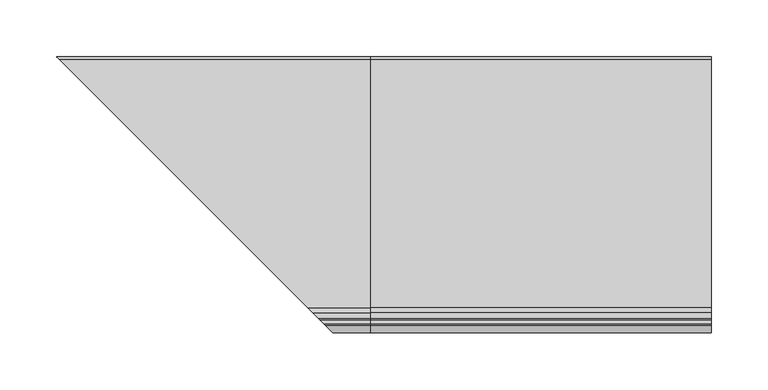
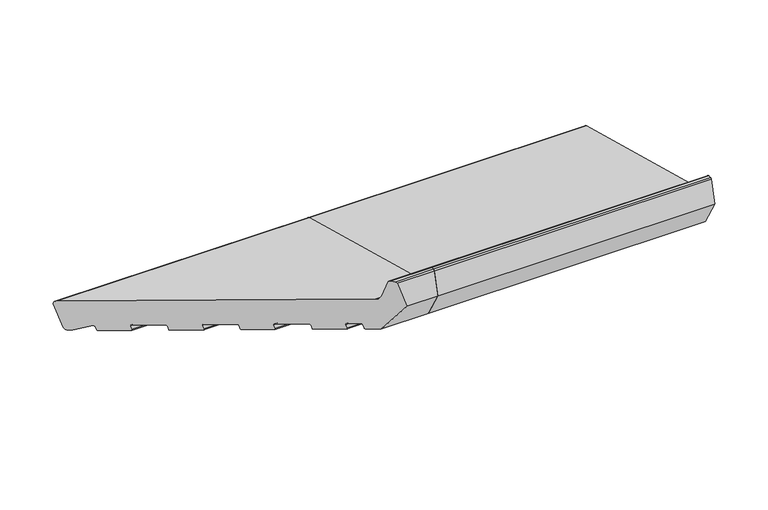
"""IFC4 building model written with IfcOpenShell, lengths in millimetres: proxy geometry."""

from ifc_helpers import new_model, si_unit, point, frame, frame_2d, origin, place, context, project, spatial, polyline, circle_curve, ellipse_curve, trimmed, segment, composite_curve, outline, extrude, source, transform, mapped, element, save
from ifc_brep_helpers import plane_surface, cylinder_surface, revolved_surface, advanced_brep


def generic_models_167abd5b(model_context):
    return source(origin(), model_context, "Body", "SolidModel", [
        advanced_brep(
        [(0.0, 24.372022, 5.5048126), (0.0, 28.0462566, 7.6261329), (0.0, 34.7755518, 32.7402044), (0.0, 32.6542315, 36.414439), (0.0, -186.1626434, 95.0462439), (0.0, -190.4052841, 99.2888846), (0.0, -195.1879801, 117.1381494), (0.0, -196.6368689, 118.2499208), (0.0, -199.9802434, 118.2499208), (0.0, -201.4291321, 117.1381494), (0.0, -208.0, 92.6153365), (0.0, -190.3223305, 61.9967148), (0.0, -179.6971464, 59.1497053), (0.0, -178.4724015, 59.856812), (0.0, -177.4371253, 63.7205153), (0.0, -176.2123805, 64.4276221), (0.0, -166.5531222, 61.8394317), (0.0, -165.8460154, 60.6146868), (0.0, -166.8812916, 56.7509835), (0.0, -166.1741848, 55.5262386), (0.0, -143.9578908, 49.5734006), (0.0, -142.7331459, 50.2805074), (0.0, -141.6978698, 54.1442107), (0.0, -140.4731249, 54.8513175), (0.0, -117.2909051, 48.6396604), (0.0, -116.5837983, 47.4149155), (0.0, -117.6190745, 43.5512122), (0.0, -116.9119677, 42.3264673), (0.0, -94.6956737, 36.3736293), (0.0, -93.4709288, 37.0807361), (0.0, -92.4356526, 40.9444394), (0.0, -91.2109077, 41.6515462), (0.0, -68.0286879, 35.4398891), (0.0, -67.3215811, 34.2151442), (0.0, -68.3568573, 30.3514409), (0.0, -67.6497505, 29.126696), (0.0, -45.4334565, 23.173858), (0.0, -44.2087117, 23.8809648), (0.0, -43.1734355, 27.7446681), (0.0, -41.9486906, 28.4517749), (0.0, -18.7664708, 22.2401178), (0.0, -18.059364, 21.0153729), (0.0, -19.0946402, 17.1516696), (0.0, -18.3875334, 15.9269247), (0.0, 3.8287606, 9.9740867), (0.0, 5.0535055, 10.6811935), (0.0, 6.0027589, 14.2238555), (0.0, 7.4870147, 14.8202172), (0.0, 21.6552444, 6.2327709), (-265.372022, 24.372022, 5.5048126), (-269.0462566, 28.0462566, 7.6261329), (-275.7755518, 34.7755518, 32.7402044), (-273.6542315, 32.6542315, 36.414439), (-54.8373566, -186.1626434, 95.0462439), (-50.5947159, -190.4052841, 99.2888846), (-45.8120199, -195.1879801, 117.1381494), (-44.3631311, -196.6368689, 118.2499208), (-41.0197566, -199.9802434, 118.2499208), (-39.5708679, -201.4291321, 117.1381494), (-33.0, -208.0, 92.6153365), (-50.6776695, -190.3223305, 61.9967148), (-61.3028536, -179.6971464, 59.1497053), (-62.5275985, -178.4724015, 59.856812), (-63.5628747, -177.4371253, 63.7205153), (-64.7876195, -176.2123805, 64.4276221), (-74.4468778, -166.5531222, 61.8394317), (-75.1539846, -165.8460154, 60.6146868), (-74.1187084, -166.8812916, 56.7509835), (-74.8258152, -166.1741848, 55.5262386), (-97.0421092, -143.9578908, 49.5734006), (-98.2668541, -142.7331459, 50.2805074), (-99.3021302, -141.6978698, 54.1442107), (-100.5268751, -140.4731249, 54.8513175), (-262.6552444, 21.6552444, 6.2327709), (-123.7090949, -117.2909051, 48.6396604), (-123.3809255, -117.6190745, 43.5512122), (-124.0880323, -116.9119677, 42.3264673), (-124.4162017, -116.5837983, 47.4149155), (-146.3043263, -94.6956737, 36.3736293), (-147.5290712, -93.4709288, 37.0807361), (-148.5643474, -92.4356526, 40.9444394), (-149.7890923, -91.2109077, 41.6515462), (-172.9713121, -68.0286879, 35.4398891), (-248.4870147, 7.4870147, 14.8202172), (-247.0027589, 6.0027589, 14.2238555), (-246.0535055, 5.0535055, 10.6811935), (-244.8287606, 3.8287606, 9.9740867), (-222.6124666, -18.3875334, 15.9269247), (-221.9053598, -19.0946402, 17.1516696), (-222.940636, -18.059364, 21.0153729), (-222.2335292, -18.7664708, 22.2401178), (-199.0513094, -41.9486906, 28.4517749), (-197.8265645, -43.1734355, 27.7446681), (-196.7912883, -44.2087117, 23.8809648), (-195.5665435, -45.4334565, 23.173858), (-173.3502495, -67.6497505, 29.126696), (-172.6431427, -68.3568573, 30.3514409), (-173.6784189, -67.3215811, 34.2151442)],
        [
            (0, 1, circle_curve(frame((0.0, 25.1484791, 8.40259), z_axis=(1.0, 0.0, 0.0), x_axis=(0.0, 1.0, 0.0)), 3.0)),
            (1, 2),
            (2, 3, circle_curve(frame((0.0, 31.8777743, 33.5166615), z_axis=(1.0, 0.0, 0.0), x_axis=(0.0, 1.0, 0.0)), 3.0)),
            (3, 4),
            (4, 5, circle_curve(frame((0.0, -184.6097291, 100.8417989), z_axis=(-1.0, 0.0, 0.0), x_axis=(0.0, 1.0, 0.0)), 6.0)),
            (5, 6),
            (6, 7, circle_curve(frame((0.0, -196.6368689, 116.7499208), z_axis=(1.0, 0.0, 0.0), x_axis=(0.0, 1.0, 0.0)), 1.5)),
            (7, 8),
            (8, 9, circle_curve(frame((0.0, -199.9802434, 116.7499208), z_axis=(1.0, 0.0, 0.0), x_axis=(0.0, 1.0, 0.0)), 1.5)),
            (9, 10),
            (10, 11),
            (11, 12),
            (12, 13, circle_curve(frame((0.0, -179.4383273, 60.1156311), z_axis=(1.0, 0.0, 0.0), x_axis=(0.0, 1.0, 0.0)), 1.0)),
            (13, 14),
            (14, 15, circle_curve(frame((0.0, -176.4711995, 63.4616963), z_axis=(-1.0, 0.0, 0.0), x_axis=(0.0, 1.0, 0.0)), 1.0)),
            (15, 16),
            (16, 17, circle_curve(frame((0.0, -166.8119412, 60.8735058), z_axis=(-1.0, 0.0, 0.0), x_axis=(0.0, 1.0, 0.0)), 1.0)),
            (17, 18),
            (18, 19, circle_curve(frame((0.0, -165.9153658, 56.4921644), z_axis=(1.0, 0.0, 0.0), x_axis=(0.0, 1.0, 0.0)), 1.0)),
            (19, 20),
            (20, 21, circle_curve(frame((0.0, -143.6990718, 50.5393264), z_axis=(1.0, 0.0, 0.0), x_axis=(0.0, 1.0, 0.0)), 1.0)),
            (21, 22),
            (22, 23, circle_curve(frame((0.0, -140.7319439, 53.8853916), z_axis=(-1.0, 0.0, 0.0), x_axis=(0.0, 1.0, 0.0)), 1.0)),
            (23, 24),
            (24, 25, circle_curve(frame((0.0, -117.5497241, 47.6737345), z_axis=(-1.0, 0.0, 0.0), x_axis=(0.0, 1.0, 0.0)), 1.0)),
            (25, 26),
            (26, 27, circle_curve(frame((0.0, -116.6531486, 43.2923931), z_axis=(1.0, 0.0, 0.0), x_axis=(0.0, 1.0, 0.0)), 1.0)),
            (27, 28),
            (28, 29, circle_curve(frame((0.0, -94.4368546, 37.3395551), z_axis=(1.0, 0.0, 0.0), x_axis=(0.0, 1.0, 0.0)), 1.0)),
            (29, 30),
            (30, 31, circle_curve(frame((0.0, -91.4697268, 40.6856203), z_axis=(-1.0, 0.0, 0.0), x_axis=(0.0, 1.0, 0.0)), 1.0)),
            (31, 32),
            (32, 33, circle_curve(frame((0.0, -68.287507, 34.4739632), z_axis=(-1.0, 0.0, 0.0), x_axis=(0.0, 1.0, 0.0)), 1.0)),
            (33, 34),
            (34, 35, circle_curve(frame((0.0, -67.3909315, 30.0926218), z_axis=(1.0, 0.0, 0.0), x_axis=(0.0, 1.0, 0.0)), 1.0)),
            (35, 36),
            (36, 37, circle_curve(frame((0.0, -45.1746375, 24.1397838), z_axis=(1.0, 0.0, 0.0), x_axis=(0.0, 1.0, 0.0)), 1.0)),
            (37, 38),
            (38, 39, circle_curve(frame((0.0, -42.2075096, 27.485849), z_axis=(-1.0, 0.0, 0.0), x_axis=(0.0, 1.0, 0.0)), 1.0)),
            (39, 40),
            (40, 41, circle_curve(frame((0.0, -19.0252898, 21.2741919), z_axis=(-1.0, 0.0, 0.0), x_axis=(0.0, 1.0, 0.0)), 1.0)),
            (41, 42),
            (42, 43, circle_curve(frame((0.0, -18.1287143, 16.8928505), z_axis=(1.0, 0.0, 0.0), x_axis=(0.0, 1.0, 0.0)), 1.0)),
            (43, 44),
            (44, 45, circle_curve(frame((0.0, 4.0875797, 10.9400125), z_axis=(1.0, 0.0, 0.0), x_axis=(0.0, 1.0, 0.0)), 1.0)),
            (45, 46),
            (46, 47, circle_curve(frame((0.0, 6.9686847, 13.9650365), z_axis=(-1.0, 0.0, 0.0), x_axis=(0.0, 1.0, 0.0)), 1.0)),
            (47, 48),
            (48, 0),
            (0, 49),
            (49, 50, ellipse_curve(frame((-266.1484791, 25.1484791, 8.40259), z_axis=(0.707106781186548, 0.7071067811865471, 0.0), x_axis=(-0.707106781186547, 0.707106781186548, 0.0)), 4.2426407, 3.0)),
            (50, 1),
            (50, 51),
            (51, 2),
            (51, 52, ellipse_curve(frame((-272.8777743, 31.8777743, 33.5166615), z_axis=(0.707106781186548, 0.7071067811865471, 0.0), x_axis=(-0.707106781186547, 0.707106781186548, 0.0)), 4.2426407, 3.0)),
            (52, 3),
            (52, 53),
            (53, 4),
            (53, 54, ellipse_curve(frame((-56.3902709, -184.6097291, 100.8417989), z_axis=(-0.707106781186548, -0.7071067811865471, 0.0), x_axis=(0.707106781186547, -0.707106781186548, 0.0)), 8.4852814, 6.0)),
            (54, 5),
            (54, 55),
            (55, 6),
            (55, 56, ellipse_curve(frame((-44.3631311, -196.6368689, 116.7499208), z_axis=(0.707106781186548, 0.7071067811865471, 0.0), x_axis=(-0.707106781186547, 0.707106781186548, 0.0)), 2.1213203, 1.5)),
            (56, 7),
            (56, 57),
            (57, 8),
            (57, 58, ellipse_curve(frame((-41.0197566, -199.9802434, 116.7499208), z_axis=(0.707106781186548, 0.7071067811865471, 0.0), x_axis=(-0.707106781186547, 0.707106781186548, 0.0)), 2.1213203, 1.5)),
            (58, 9),
            (58, 59),
            (59, 10),
            (59, 60),
            (60, 11),
            (60, 61),
            (61, 12),
            (61, 62, ellipse_curve(frame((-61.5616727, -179.4383273, 60.1156311), z_axis=(0.707106781186548, 0.7071067811865471, 0.0), x_axis=(-0.707106781186547, 0.707106781186548, 0.0)), 1.4142136, 1.0)),
            (62, 13),
            (62, 63),
            (63, 14),
            (63, 64, ellipse_curve(frame((-64.5288005, -176.4711995, 63.4616963), z_axis=(-0.707106781186548, -0.7071067811865471, 0.0), x_axis=(0.707106781186547, -0.707106781186548, 0.0)), 1.4142136, 1.0)),
            (64, 15),
            (64, 65),
            (65, 16),
            (65, 66, ellipse_curve(frame((-74.1880588, -166.8119412, 60.8735058), z_axis=(-0.707106781186548, -0.7071067811865471, 0.0), x_axis=(0.707106781186547, -0.707106781186548, 0.0)), 1.4142136, 1.0)),
            (66, 17),
            (66, 67),
            (67, 18),
            (67, 68, ellipse_curve(frame((-75.0846342, -165.9153658, 56.4921644), z_axis=(0.707106781186548, 0.7071067811865471, 0.0), x_axis=(-0.707106781186547, 0.707106781186548, 0.0)), 1.4142136, 1.0)),
            (68, 19),
            (68, 69),
            (69, 20),
            (69, 70, ellipse_curve(frame((-97.3009282, -143.6990718, 50.5393264), z_axis=(0.707106781186548, 0.7071067811865471, 0.0), x_axis=(-0.707106781186547, 0.707106781186548, 0.0)), 1.4142136, 1.0)),
            (70, 21),
            (70, 71),
            (71, 22),
            (71, 72, ellipse_curve(frame((-100.2680561, -140.7319439, 53.8853916), z_axis=(-0.707106781186548, -0.7071067811865471, 0.0), x_axis=(0.707106781186547, -0.707106781186548, 0.0)), 1.4142136, 1.0)),
            (72, 23),
            (48, 73),
            (73, 49),
            (72, 74),
            (74, 24),
            (26, 75),
            (75, 76, ellipse_curve(frame((-124.3468514, -116.6531486, 43.2923931), z_axis=(0.707106781186548, 0.7071067811865471, 0.0), x_axis=(-0.707106781186547, 0.707106781186548, 0.0)), 1.4142136, 1.0)),
            (76, 27),
            (25, 77),
            (77, 75),
            (74, 77, ellipse_curve(frame((-123.4502759, -117.5497241, 47.6737345), z_axis=(-0.707106781186548, -0.7071067811865471, 0.0), x_axis=(0.707106781186547, -0.707106781186548, 0.0)), 1.4142136, 1.0)),
            (76, 78),
            (78, 28),
            (78, 79, ellipse_curve(frame((-146.5631454, -94.4368546, 37.3395551), z_axis=(0.707106781186548, 0.7071067811865471, 0.0), x_axis=(-0.707106781186547, 0.707106781186548, 0.0)), 1.4142136, 1.0)),
            (79, 29),
            (79, 80),
            (80, 30),
            (80, 81, ellipse_curve(frame((-149.5302732, -91.4697268, 40.6856203), z_axis=(-0.707106781186548, -0.7071067811865471, 0.0), x_axis=(0.707106781186547, -0.707106781186548, 0.0)), 1.4142136, 1.0)),
            (81, 31),
            (81, 82),
            (82, 32),
            (73, 83),
            (83, 84, ellipse_curve(frame((-247.9686847, 6.9686847, 13.9650365), z_axis=(0.707106781186548, 0.7071067811865471, 0.0), x_axis=(0.707106781186547, -0.707106781186548, 0.0)), 1.4142136, 1.0)),
            (84, 85),
            (85, 86, ellipse_curve(frame((-245.0875797, 4.0875797, 10.9400125), z_axis=(-0.707106781186548, -0.7071067811865471, 0.0), x_axis=(-0.707106781186547, 0.707106781186548, 0.0)), 1.4142136, 1.0)),
            (86, 87),
            (87, 88, ellipse_curve(frame((-222.8712857, -18.1287143, 16.8928505), z_axis=(-0.707106781186548, -0.7071067811865471, 0.0), x_axis=(-0.707106781186547, 0.707106781186548, 0.0)), 1.4142136, 1.0)),
            (88, 89),
            (89, 90, ellipse_curve(frame((-221.9747102, -19.0252898, 21.2741919), z_axis=(0.707106781186548, 0.7071067811865471, 0.0), x_axis=(0.707106781186547, -0.707106781186548, 0.0)), 1.4142136, 1.0)),
            (90, 91),
            (91, 92, ellipse_curve(frame((-198.7924904, -42.2075096, 27.485849), z_axis=(0.707106781186548, 0.7071067811865471, 0.0), x_axis=(0.707106781186547, -0.707106781186548, 0.0)), 1.4142136, 1.0)),
            (92, 93),
            (93, 94, ellipse_curve(frame((-195.8253625, -45.1746375, 24.1397838), z_axis=(-0.707106781186548, -0.7071067811865471, 0.0), x_axis=(-0.707106781186547, 0.707106781186548, 0.0)), 1.4142136, 1.0)),
            (94, 95),
            (95, 96, ellipse_curve(frame((-173.6090685, -67.3909315, 30.0926218), z_axis=(-0.707106781186548, -0.7071067811865471, 0.0), x_axis=(-0.707106781186547, 0.707106781186548, 0.0)), 1.4142136, 1.0)),
            (96, 97),
            (97, 82, ellipse_curve(frame((-172.712493, -68.287507, 34.4739632), z_axis=(0.707106781186548, 0.7071067811865471, 0.0), x_axis=(0.707106781186547, -0.707106781186548, 0.0)), 1.4142136, 1.0)),
            (39, 91),
            (90, 40),
            (38, 92),
            (37, 93),
            (36, 94),
            (35, 95),
            (34, 96),
            (33, 97),
            (47, 83),
            (46, 84),
            (45, 85),
            (44, 86),
            (43, 87),
            (42, 88),
            (41, 89),
        ],
        [
            plane_surface(frame((0.0, 0.0, 0.0), z_axis=(1.0, 0.0, 0.0), x_axis=(0.0, 0.0, 1.0))),
            cylinder_surface(frame((-276.4826586, 25.1484791, 8.40259), z_axis=(-1.0, 0.0, 0.0), x_axis=(0.0, 1.0, 0.0)), 3.0),
            plane_surface(frame((-276.4826586, 34.7755518, 32.7402044), z_axis=(0.0, 0.9659258262890675, -0.25881904510252357), x_axis=(1.0, 0.0, 0.0))),
            cylinder_surface(frame((-276.4826586, 31.8777743, 33.5166615), z_axis=(-1.0, 0.0, 0.0), x_axis=(0.0, 1.0, 0.0)), 3.0),
            plane_surface(frame((-276.4826586, -186.1626434, 95.0462439), z_axis=(0.0, 0.2588190451025208, 0.9659258262890683), x_axis=(1.0, 0.0, 0.0))),
            revolved_surface(polyline([(0.0, -178.6097291, 100.8417989), (-62.39027091821606, -178.6097291, 100.8417989)]), (-276.4826586, -184.6097291, 100.8417989), (1.0, 0.0, 0.0)),
            plane_surface(frame((-276.4826586, -195.1879801, 117.1381494), z_axis=(0.0, 0.9659258262890698, 0.25881904510251524), x_axis=(1.0, 0.0, 0.0))),
            cylinder_surface(frame((-276.4826586, -196.6368689, 116.7499208), z_axis=(-1.0, 0.0, 0.0), x_axis=(0.0, 1.0, 0.0)), 1.5),
            plane_surface(frame((-276.4826586, -199.9802434, 118.2499208), z_axis=(0.0, 0.0, 1.0), x_axis=(1.0, 0.0, 0.0))),
            cylinder_surface(frame((-276.4826586, -199.9802434, 116.7499208), z_axis=(-1.0, 0.0, 0.0), x_axis=(0.0, 1.0, 0.0)), 1.5),
            plane_surface(frame((-276.4826586, -208.0, 92.6153365), z_axis=(0.0, -0.9659258262890684, 0.2588190451025204), x_axis=(1.0, 0.0, 0.0))),
            plane_surface(frame((-276.4826586, -190.3223305, 61.9967148), z_axis=(0.0, -0.8660254037844406, -0.49999999999999667), x_axis=(1.0, 0.0, 0.0))),
            plane_surface(frame((-276.4826586, -179.6971464, 59.1497053), z_axis=(0.0, -0.2588190451025198, -0.9659258262890686), x_axis=(1.0, 0.0, 0.0))),
            cylinder_surface(frame((-276.4826586, -179.4383273, 60.1156311), z_axis=(-1.0, 0.0, 0.0), x_axis=(0.0, 1.0, 0.0)), 1.0),
            plane_surface(frame((-276.4826586, -177.4371253, 63.7205153), z_axis=(0.0, 0.9659258262890634, -0.2588190451025389), x_axis=(1.0, 0.0, 0.0))),
            revolved_surface(polyline([(0.0, -175.4711995, 63.4616963), (-65.52880052660623, -175.4711995, 63.4616963)]), (-276.4826586, -176.4711995, 63.4616963), (1.0, 0.0, 0.0)),
            plane_surface(frame((-276.4826586, -166.5531222, 61.8394317), z_axis=(0.0, -0.25881904510251746, -0.9659258262890692), x_axis=(1.0, 0.0, 0.0))),
            revolved_surface(polyline([(0.0, -165.8119412, 60.8735058), (-75.18805882660624, -165.8119412, 60.8735058)]), (-276.4826586, -166.8119412, 60.8735058), (1.0, 0.0, 0.0)),
            plane_surface(frame((-276.4826586, -166.8812916, 56.7509835), z_axis=(0.0, -0.9659258262890634, 0.2588190451025389), x_axis=(1.0, 0.0, 0.0))),
            cylinder_surface(frame((-276.4826586, -165.9153658, 56.4921644), z_axis=(-1.0, 0.0, 0.0), x_axis=(0.0, 1.0, 0.0)), 1.0),
            plane_surface(frame((-276.4826586, -143.9578908, 49.5734006), z_axis=(0.0, -0.25881904510251785, -0.9659258262890691), x_axis=(1.0, 0.0, 0.0))),
            cylinder_surface(frame((-276.4826586, -143.6990718, 50.5393264), z_axis=(-1.0, 0.0, 0.0), x_axis=(0.0, 1.0, 0.0)), 1.0),
            plane_surface(frame((-276.4826586, -141.6978698, 54.1442107), z_axis=(0.0, 0.9659258262890634, -0.2588190451025389), x_axis=(1.0, 0.0, 0.0))),
            revolved_surface(polyline([(0.0, -139.7319439, 53.8853916), (-101.26805612660624, -139.7319439, 53.8853916)]), (-276.4826586, -140.7319439, 53.8853916), (1.0, 0.0, 0.0)),
            plane_surface(frame((-276.4826586, 24.372022, 5.5048126), z_axis=(0.0, -0.25881904510251474, -0.9659258262890699), x_axis=(1.0, 0.0, 0.0))),
            plane_surface(frame((-276.4826586, -117.2909051, 48.6396604), z_axis=(0.0, -0.25881904510252063, -0.9659258262890683), x_axis=(1.0, 0.0, 0.0))),
            cylinder_surface(frame((-276.4826586, -116.6531486, 43.2923931), z_axis=(-1.0, 0.0, 0.0), x_axis=(0.0, 1.0, 0.0)), 1.0),
            plane_surface(frame((-276.4826586, -117.6190745, 43.5512122), z_axis=(0.0, -0.9659258262890624, 0.25881904510254283), x_axis=(1.0, 0.0, 0.0))),
            revolved_surface(polyline([(0.0, -116.5497241, 47.6737345), (-124.45027592660625, -116.5497241, 47.6737345)]), (-276.4826586, -117.5497241, 47.6737345), (1.0, 0.0, 0.0)),
            plane_surface(frame((-276.4826586, -94.6956737, 36.3736293), z_axis=(0.0, -0.2588190451025221, -0.965925826289068), x_axis=(1.0, 0.0, 0.0))),
            cylinder_surface(frame((-276.4826586, -94.4368546, 37.3395551), z_axis=(-1.0, 0.0, 0.0), x_axis=(0.0, 1.0, 0.0)), 1.0),
            plane_surface(frame((-276.4826586, -92.4356526, 40.9444394), z_axis=(0.0, 0.9659258262890624, -0.25881904510254283), x_axis=(1.0, 0.0, 0.0))),
            revolved_surface(polyline([(0.0, -90.4697268, 40.6856203), (-150.53027322660625, -90.4697268, 40.6856203)]), (-276.4826586, -91.4697268, 40.6856203), (1.0, 0.0, 0.0)),
            plane_surface(frame((-276.4826586, -68.0286879, 35.4398891), z_axis=(0.0, -0.258819045102523, -0.9659258262890678), x_axis=(1.0, 0.0, 0.0))),
            plane_surface(frame((-222.2588285, -18.7411715, 0.0), z_axis=(-0.707106781186548, -0.7071067811865471, 0.0), x_axis=(0.0, 0.0, 1.0))),
            plane_surface(frame((-276.4826586, -18.7664708, 22.2401178), z_axis=(0.0, -0.2588190451025225, -0.9659258262890679), x_axis=(1.0, 0.0, 0.0))),
            revolved_surface(polyline([(0.0, -41.2075096, 27.485849), (-199.79249042660624, -41.2075096, 27.485849)]), (-276.4826586, -42.2075096, 27.485849), (1.0, 0.0, 0.0)),
            plane_surface(frame((-276.4826586, -43.1734355, 27.7446681), z_axis=(0.0, 0.9659258262890772, -0.2588190451024876), x_axis=(1.0, 0.0, 0.0))),
            cylinder_surface(frame((-276.4826586, -45.1746375, 24.1397838), z_axis=(-1.0, 0.0, 0.0), x_axis=(0.0, 1.0, 0.0)), 1.0),
            plane_surface(frame((-276.4826586, -45.4334565, 23.173858), z_axis=(0.0, -0.2588190451025221, -0.965925826289068), x_axis=(1.0, 0.0, 0.0))),
            cylinder_surface(frame((-276.4826586, -67.3909315, 30.0926218), z_axis=(-1.0, 0.0, 0.0), x_axis=(0.0, 1.0, 0.0)), 1.0),
            plane_surface(frame((-276.4826586, -68.3568573, 30.3514409), z_axis=(0.0, -0.9659258262890634, 0.2588190451025389), x_axis=(1.0, 0.0, 0.0))),
            revolved_surface(polyline([(0.0, -67.287507, 34.4739632), (-173.71249302660624, -67.287507, 34.4739632)]), (-276.4826586, -68.287507, 34.4739632), (1.0, 0.0, 0.0)),
            plane_surface(frame((-276.4826586, 21.6552444, 6.2327709), z_axis=(0.0, -0.5183299834329773, -0.8551806991942519), x_axis=(1.0, 0.0, 0.0))),
            revolved_surface(polyline([(0.0, 7.9686847, 13.9650365), (-248.96868472660626, 7.9686847, 13.9650365)]), (-276.4826586, 6.9686847, 13.9650365), (1.0, 0.0, 0.0)),
            plane_surface(frame((-276.4826586, 6.0027589, 14.2238555), z_axis=(0.0, 0.9659258262890678, -0.2588190451025227), x_axis=(1.0, 0.0, 0.0))),
            cylinder_surface(frame((-276.4826586, 4.0875797, 10.9400125), z_axis=(-1.0, 0.0, 0.0), x_axis=(0.0, 1.0, 0.0)), 1.0),
            plane_surface(frame((-276.4826586, 3.8287606, 9.9740867), z_axis=(0.0, -0.25881904510252224, -0.965925826289068), x_axis=(1.0, 0.0, 0.0))),
            cylinder_surface(frame((-276.4826586, -18.1287143, 16.8928505), z_axis=(-1.0, 0.0, 0.0), x_axis=(0.0, 1.0, 0.0)), 1.0),
            plane_surface(frame((-276.4826586, -19.0946402, 17.1516696), z_axis=(0.0, -0.9659258262890629, 0.2588190451025409), x_axis=(1.0, 0.0, 0.0))),
            revolved_surface(polyline([(0.0, -18.0252898, 21.2741919), (-222.97471022660625, -18.0252898, 21.2741919)]), (-276.4826586, -19.0252898, 21.2741919), (1.0, 0.0, 0.0)),
        ],
        [
            (0, [[1, 2, 3, 4, 5, 6, 7, 8, 9, 10, 11, 12, 13, 14, 15, 16, 17, 18, 19, 20, 21, 22, 23, 24, 25, 26, 27, 28, 29, 30, 31, 32, 33, 34, 35, 36, 37, 38, 39, 40, 41, 42, 43, 44, 45, 46, 47, 48, 49]]),
            (1, [[-1, 50, 51, 52]]),
            (2, [[-2, -52, 53, 54]]),
            (3, [[-3, -54, 55, 56]]),
            (4, [[-4, -56, 57, 58]]),
            (5, [[-5, -58, 59, 60]]),
            (6, [[-6, -60, 61, 62]]),
            (7, [[-7, -62, 63, 64]]),
            (8, [[-8, -64, 65, 66]]),
            (9, [[-9, -66, 67, 68]]),
            (10, [[-10, -68, 69, 70]]),
            (11, [[-11, -70, 71, 72]]),
            (12, [[-12, -72, 73, 74]]),
            (13, [[-13, -74, 75, 76]]),
            (14, [[-14, -76, 77, 78]]),
            (15, [[-15, -78, 79, 80]]),
            (16, [[-16, -80, 81, 82]]),
            (17, [[-17, -82, 83, 84]]),
            (18, [[-18, -84, 85, 86]]),
            (19, [[-19, -86, 87, 88]]),
            (20, [[-20, -88, 89, 90]]),
            (21, [[-21, -90, 91, 92]]),
            (22, [[-22, -92, 93, 94]]),
            (23, [[-23, -94, 95, 96]]),
            (24, [[-49, 97, 98, -50]]),
            (25, [[-24, -96, 99, 100]]),
            (26, [[-27, 101, 102, 103]]),
            (27, [[-26, 104, 105, -101]]),
            (28, [[-25, -100, 106, -104]]),
            (29, [[-28, -103, 107, 108]]),
            (30, [[-29, -108, 109, 110]]),
            (31, [[-30, -110, 111, 112]]),
            (32, [[-31, -112, 113, 114]]),
            (33, [[-32, -114, 115, 116]]),
            (34, [[-51, -98, 117, 118, 119, 120, 121, 122, 123, 124, 125, 126, 127, 128, 129, 130, 131, 132, -115, -113, -111, -109, -107, -102, -105, -106, -99, -95, -93, -91, -89, -87, -85, -83, -81, -79, -77, -75, -73, -71, -69, -67, -65, -63, -61, -59, -57, -55, -53]]),
            (35, [[-40, 133, -125, 134]]),
            (36, [[-39, 135, -126, -133]]),
            (37, [[-38, 136, -127, -135]]),
            (38, [[-37, 137, -128, -136]]),
            (39, [[-36, 138, -129, -137]]),
            (40, [[-35, 139, -130, -138]]),
            (41, [[-34, 140, -131, -139]]),
            (42, [[-33, -116, -132, -140]]),
            (43, [[-48, 141, -117, -97]]),
            (44, [[-47, 142, -118, -141]]),
            (45, [[-46, 143, -119, -142]]),
            (46, [[-45, 144, -120, -143]]),
            (47, [[-44, 145, -121, -144]]),
            (48, [[-43, 146, -122, -145]]),
            (49, [[-42, 147, -123, -146]]),
            (50, [[-41, -134, -124, -147]]),
        ],
    ),
        extrude(outline(composite_curve([segment(polyline([(24.372022, 5.5048126), (21.6552444, 6.2327709), (7.4870147, 14.8202172)]), True, "CONTINUOUS"), segment(trimmed(circle_curve(frame_2d((6.9686847, 13.9650365)), 1.0), [point((7.4870147, 14.8202172))], [point((6.0027589, 14.2238555))], True, "CARTESIAN"), True, "CONTINUOUS"), segment(polyline([(6.0027589, 14.2238555), (5.0535055, 10.6811935)]), True, "CONTINUOUS"), segment(trimmed(circle_curve(frame_2d((4.0875797, 10.9400125)), 1.0), [point((5.0535055, 10.6811935))], [point((3.8287606, 9.9740867))], False, "CARTESIAN"), True, "CONTINUOUS"), segment(polyline([(3.8287606, 9.9740867), (-18.3875334, 15.9269247)]), True, "CONTINUOUS"), segment(trimmed(circle_curve(frame_2d((-18.1287143, 16.8928505)), 1.0), [point((-18.3875334, 15.9269247))], [point((-19.0946402, 17.1516696))], False, "CARTESIAN"), True, "CONTINUOUS"), segment(polyline([(-19.0946402, 17.1516696), (-18.059364, 21.0153729)]), True, "CONTINUOUS"), segment(trimmed(circle_curve(frame_2d((-19.0252898, 21.2741919)), 1.0), [point((-18.059364, 21.0153729))], [point((-18.7664708, 22.2401178))], True, "CARTESIAN"), True, "CONTINUOUS"), segment(polyline([(-18.7664708, 22.2401178), (-41.9486906, 28.4517749)]), True, "CONTINUOUS"), segment(trimmed(circle_curve(frame_2d((-42.2075096, 27.485849)), 1.0), [point((-41.9486906, 28.4517749))], [point((-43.1734355, 27.7446681))], True, "CARTESIAN"), True, "CONTINUOUS"), segment(polyline([(-43.1734355, 27.7446681), (-44.2087117, 23.8809648)]), True, "CONTINUOUS"), segment(trimmed(circle_curve(frame_2d((-45.1746375, 24.1397838)), 1.0), [point((-44.2087117, 23.8809648))], [point((-45.4334565, 23.173858))], False, "CARTESIAN"), True, "CONTINUOUS"), segment(polyline([(-45.4334565, 23.173858), (-67.6497505, 29.126696)]), True, "CONTINUOUS"), segment(trimmed(circle_curve(frame_2d((-67.3909315, 30.0926218)), 1.0), [point((-67.6497505, 29.126696))], [point((-68.3568573, 30.3514409))], False, "CARTESIAN"), True, "CONTINUOUS"), segment(polyline([(-68.3568573, 30.3514409), (-67.3215811, 34.2151442)]), True, "CONTINUOUS"), segment(trimmed(circle_curve(frame_2d((-68.287507, 34.4739632)), 1.0), [point((-67.3215811, 34.2151442))], [point((-68.0286879, 35.4398891))], True, "CARTESIAN"), True, "CONTINUOUS"), segment(polyline([(-68.0286879, 35.4398891), (-91.2109077, 41.6515462)]), True, "CONTINUOUS"), segment(trimmed(circle_curve(frame_2d((-91.4697268, 40.6856203)), 1.0), [point((-91.2109077, 41.6515462))], [point((-92.4356526, 40.9444394))], True, "CARTESIAN"), True, "CONTINUOUS"), segment(polyline([(-92.4356526, 40.9444394), (-93.4709288, 37.0807361)]), True, "CONTINUOUS"), segment(trimmed(circle_curve(frame_2d((-94.4368546, 37.3395551)), 1.0), [point((-93.4709288, 37.0807361))], [point((-94.6956737, 36.3736293))], False, "CARTESIAN"), True, "CONTINUOUS"), segment(polyline([(-94.6956737, 36.3736293), (-116.9119677, 42.3264673)]), True, "CONTINUOUS"), segment(trimmed(circle_curve(frame_2d((-116.6531486, 43.2923931)), 1.0), [point((-116.9119677, 42.3264673))], [point((-117.6190745, 43.5512122))], False, "CARTESIAN"), True, "CONTINUOUS"), segment(polyline([(-117.6190745, 43.5512122), (-116.5837983, 47.4149155)]), True, "CONTINUOUS"), segment(trimmed(circle_curve(frame_2d((-117.5497241, 47.6737345)), 1.0), [point((-116.5837983, 47.4149155))], [point((-117.2909051, 48.6396604))], True, "CARTESIAN"), True, "CONTINUOUS"), segment(polyline([(-117.2909051, 48.6396604), (-140.4731249, 54.8513175)]), True, "CONTINUOUS"), segment(trimmed(circle_curve(frame_2d((-140.7319439, 53.8853916)), 1.0), [point((-140.4731249, 54.8513175))], [point((-141.6978698, 54.1442107))], True, "CARTESIAN"), True, "CONTINUOUS"), segment(polyline([(-141.6978698, 54.1442107), (-142.7331459, 50.2805074)]), True, "CONTINUOUS"), segment(trimmed(circle_curve(frame_2d((-143.6990718, 50.5393264)), 1.0), [point((-142.7331459, 50.2805074))], [point((-143.9578908, 49.5734006))], False, "CARTESIAN"), True, "CONTINUOUS"), segment(polyline([(-143.9578908, 49.5734006), (-166.1741848, 55.5262386)]), True, "CONTINUOUS"), segment(trimmed(circle_curve(frame_2d((-165.9153658, 56.4921644)), 1.0), [point((-166.1741848, 55.5262386))], [point((-166.8812916, 56.7509835))], False, "CARTESIAN"), True, "CONTINUOUS"), segment(polyline([(-166.8812916, 56.7509835), (-165.8460154, 60.6146868)]), True, "CONTINUOUS"), segment(trimmed(circle_curve(frame_2d((-166.8119412, 60.8735058)), 1.0), [point((-165.8460154, 60.6146868))], [point((-166.5531222, 61.8394317))], True, "CARTESIAN"), True, "CONTINUOUS"), segment(polyline([(-166.5531222, 61.8394317), (-176.2123805, 64.4276221)]), True, "CONTINUOUS"), segment(trimmed(circle_curve(frame_2d((-176.4711995, 63.4616963)), 1.0), [point((-176.2123805, 64.4276221))], [point((-177.4371253, 63.7205153))], True, "CARTESIAN"), True, "CONTINUOUS"), segment(polyline([(-177.4371253, 63.7205153), (-178.4724015, 59.856812)]), True, "CONTINUOUS"), segment(trimmed(circle_curve(frame_2d((-179.4383273, 60.1156311)), 1.0), [point((-178.4724015, 59.856812))], [point((-179.6971464, 59.1497053))], False, "CARTESIAN"), True, "CONTINUOUS"), segment(polyline([(-179.6971464, 59.1497053), (-190.3223305, 61.9967148), (-208.0, 92.6153365), (-201.4291321, 117.1381494)]), True, "CONTINUOUS"), segment(trimmed(circle_curve(frame_2d((-199.9802434, 116.7499208)), 1.5), [point((-201.4291321, 117.1381494))], [point((-199.9802434, 118.2499208))], False, "CARTESIAN"), True, "CONTINUOUS"), segment(polyline([(-199.9802434, 118.2499208), (-196.6368689, 118.2499208)]), True, "CONTINUOUS"), segment(trimmed(circle_curve(frame_2d((-196.6368689, 116.7499208)), 1.5), [point((-196.6368689, 118.2499208))], [point((-195.1879801, 117.1381494))], False, "CARTESIAN"), True, "CONTINUOUS"), segment(polyline([(-195.1879801, 117.1381494), (-190.4052841, 99.2888846)]), True, "CONTINUOUS"), segment(trimmed(circle_curve(frame_2d((-184.6097291, 100.8417989)), 6.0), [point((-190.4052841, 99.2888846))], [point((-186.1626434, 95.0462439))], True, "CARTESIAN"), True, "CONTINUOUS"), segment(polyline([(-186.1626434, 95.0462439), (32.6542315, 36.414439)]), True, "CONTINUOUS"), segment(trimmed(circle_curve(frame_2d((31.8777743, 33.5166615)), 3.0), [point((32.6542315, 36.414439))], [point((34.7755518, 32.7402044))], False, "CARTESIAN"), True, "CONTINUOUS"), segment(polyline([(34.7755518, 32.7402044), (28.0462566, 7.6261329)]), True, "CONTINUOUS"), segment(trimmed(circle_curve(frame_2d((25.1484791, 8.40259)), 3.0), [point((28.0462566, 7.6261329))], [point((24.372022, 5.5048126))], False, "CARTESIAN"), True, "CONTINUOUS")], self_intersect=False)), frame((0.0, 0.0, 0.0), z_axis=(1.0, 0.0, 0.0), x_axis=(0.0, 1.0, 0.0)), (0.0, 0.0, 1.0), 300.0),
    ])


if __name__ == "__main__":
    model = new_model("IFC4")
    model_context = context("Model", 3, world=origin())
    ifc_project = project(units=[si_unit("LENGTHUNIT", "METRE", prefix="MILLI")], contexts=[model_context])
    site = spatial("IfcSite", under=ifc_project)
    building = spatial("IfcBuilding", under=site)
    placement = place(None, origin())
    generic_models_shape = generic_models_167abd5b(model_context)
    element("IfcBuildingElementProxy", 1, Name="Generic Models", at=placement, inside=building, context=model_context, shape_type="MappedRepresentation", body=[
        mapped(generic_models_shape, transform((0.0, 0.0, 0.0), x_axis=(1.0, 0.0, 0.0), y_axis=(0.0, 1.0, 0.0), z_axis=(0.0, 0.0, 1.0))),
    ])
    save(model, "model.ifc")
